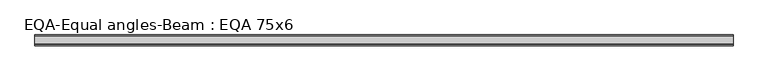
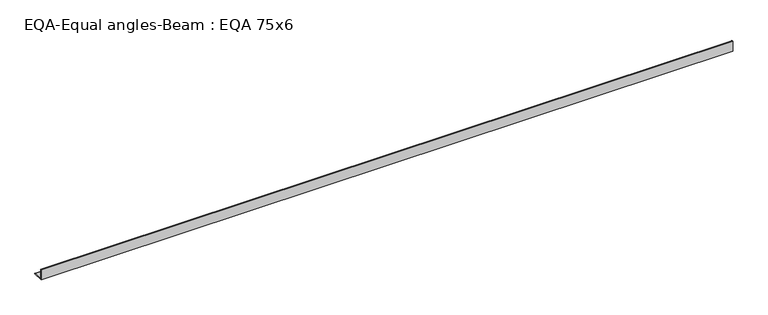
"""IFC4 building model written with IfcOpenShell, lengths in millimetres: beam geometry, EQA-Equal angles-Beam : EQA 75x6."""

from ifc_helpers import new_model, si_unit, point, frame, frame_2d, origin, place, context, project, spatial, polyline, circle_curve, trimmed, segment, composite_curve, outline, extrude, source, transform, mapped, element, save


def eqa_equal_angles_beam_eqa_75x6_781bf06f(model_context):
    return source(origin(), model_context, "Body", "SweptSolid", [
        extrude(outline(composite_curve([segment(polyline([(-20.5, -20.5), (-20.5, 54.5), (-19.0, 54.5)]), True, "CONTINUOUS"), segment(trimmed(circle_curve(frame_2d((-19.0, 50.0)), 4.5), [point((-19.0, 54.5))], [point((-14.5, 50.0))], False, "CARTESIAN"), True, "CONTINUOUS"), segment(polyline([(-14.5, 50.0), (-14.5, -5.5)]), True, "CONTINUOUS"), segment(trimmed(circle_curve(frame_2d((-5.5, -5.5)), 9.0), [point((-14.5, -5.5))], [point((-5.5, -14.5))], True, "CARTESIAN"), True, "CONTINUOUS"), segment(polyline([(-5.5, -14.5), (50.0, -14.5)]), True, "CONTINUOUS"), segment(trimmed(circle_curve(frame_2d((50.0, -19.0)), 4.5), [point((50.0, -14.5))], [point((54.5, -19.0))], False, "CARTESIAN"), True, "CONTINUOUS"), segment(polyline([(54.5, -19.0), (54.5, -20.5), (-20.5, -20.5)]), True, "CONTINUOUS")], self_intersect=False)), frame((-2431.4769271, 0.0, 0.0), z_axis=(1.0, 0.0, 0.0), x_axis=(0.0, 1.0, 0.0)), (0.0, 0.0, 1.0), 4834.9368579),
    ])


if __name__ == "__main__":
    model = new_model("IFC4")
    model_context = context("Model", 3, world=origin())
    ifc_project = project(units=[si_unit("LENGTHUNIT", "METRE", prefix="MILLI")], contexts=[model_context])
    site = spatial("IfcSite", under=ifc_project)
    building = spatial("IfcBuilding", under=site)
    placement = place(None, origin())
    eqa_equal_angles_beam_eqa_75x6_shape = eqa_equal_angles_beam_eqa_75x6_781bf06f(model_context)
    element("IfcBeam", 1, ObjectType="EQA-Equal angles-Beam : EQA 75x6", at=placement, inside=building, context=model_context, shape_type="MappedRepresentation", body=[
        mapped(eqa_equal_angles_beam_eqa_75x6_shape, transform((0.0, 0.0, 0.0), x_axis=(1.0, 0.0, 0.0), y_axis=(0.0, 1.0, 0.0), z_axis=(0.0, 0.0, 1.0))),
    ])
    save(model, "model.ifc")
